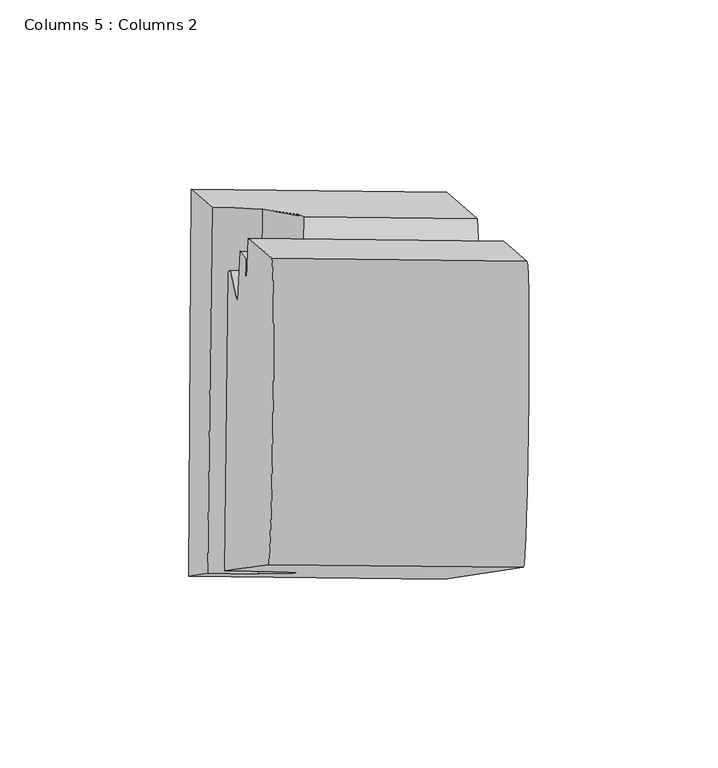
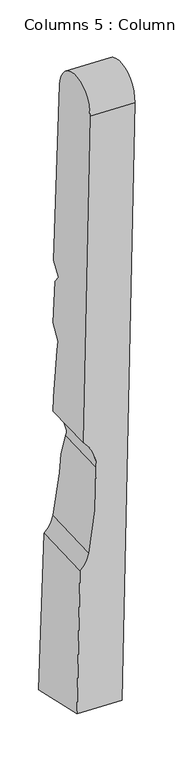
"""IFC4 building model written with IfcOpenShell, lengths in millimetres: column geometry, Columns 5 : Columns 2."""

from ifc_helpers import new_model, si_unit, frame, origin, place, context, project, spatial, polyline, circle_curve, ellipse_curve, source, transform, mapped, element, save
from ifc_brep_helpers import plane_surface, cylinder_surface, revolved_surface, advanced_brep


def columns_5_columns_2_ead6286b(model_context):
    return source(origin(), model_context, "Body", "AdvancedBrep", [
        advanced_brep(
        [(-40941.862061, 36149.6692967, 108740.642607), (-40942.5173495, 36047.2180159, 108764.2852102), (-40937.5172794, 36047.9177368, 108989.592683), (-40936.3606995, 36144.927422, 108991.4017695), (-40921.53081, 36050.1549188, 109709.9567957), (-40920.5828343, 36131.3277594, 109710.5772489), (-40926.7551807, 36136.6479866, 109429.2337273), (-40927.3222785, 36122.1267048, 109411.1816358), (-40927.4736943, 36131.1385283, 109399.6665281), (-40928.9481719, 36133.1411557, 109332.0778524), (-40929.5749769, 36120.1240774, 109310.5496075), (-40929.8851434, 36121.1253911, 109296.0305586), (-40931.546041, 36128.1345871, 109217.427432), (-40932.0422751, 36127.7763496, 109195.2167088), (-40932.9868158, 36048.5517399, 109193.7392875), (-40866.0865484, 36141.8631599, 109110.7909963), (-40865.3110491, 36126.3550029, 109153.8477168), (-40863.9240194, 36127.3563166, 109215.9291671), (-40862.2631218, 36120.3471206, 109294.5322938), (-40861.9529553, 36119.3458069, 109309.0513426), (-40861.3261503, 36132.3628852, 109330.5795875), (-40859.8516727, 36130.3602577, 109398.1682632), (-40859.7002569, 36121.3484343, 109409.683371), (-40859.1331591, 36135.8697161, 109427.7354624), (-40852.9608127, 36130.5494889, 109709.0789841), (-40853.9087884, 36049.3766483, 109708.4585308), (-40874.8953279, 36046.4397454, 108762.7869454), (-40874.2400394, 36148.8910262, 108739.1443421), (-40922.8619393, 36144.3187737, 109015.409679), (-40912.0309139, 36142.3919395, 109111.8089609), (-40913.2516077, 36048.167181, 109146.4411299), (-40924.0121418, 36047.843995, 109013.6105678), (-40912.407968, 36126.8970474, 109154.891218), (-40912.2832417, 36129.3901743, 109147.955818)],
        [
            (0, 1),
            (1, 2),
            (2, 3),
            (3, 0),
            (4, 5, circle_curve(frame((-40921.0666763, 36090.7448677, 109709.8204383), z_axis=(-0.9996884611824945, 0.011505542882479073, 0.02214956120458811), x_axis=(-0.011508273989755716, -0.9999337776135145, 4.164519798520709e-06)), 40.5928314)),
            (5, 6),
            (6, 7),
            (7, 8),
            (8, 9),
            (9, 10),
            (10, 11),
            (11, 12),
            (12, 13),
            (13, 14),
            (14, 4),
            (15, 16),
            (16, 17),
            (17, 18),
            (18, 19),
            (19, 20),
            (20, 21),
            (21, 22),
            (22, 23),
            (23, 24),
            (24, 25, circle_curve(frame((-40853.4446547, 36089.9665972, 109708.3221735), z_axis=(0.9996884611824945, -0.011505542882479073, -0.02214956120458811), x_axis=(-0.011508273989755716, -0.9999337776135145, 4.164519798520709e-06)), 40.5928314)),
            (25, 26),
            (26, 27),
            (27, 15),
            (27, 0),
            (3, 28, circle_curve(frame((-40970.2744128, 36144.6815008, 109026.2705596), z_axis=(-0.01191939419733876, -0.9997551356508885, -0.018643947587411936), x_axis=(0.021929628828242124, -0.01890214862532257, 0.9995808122192031)), 48.6418847)),
            (28, 29, circle_curve(frame((-41493.4738203, 36149.0138937, 109128.4424834), z_axis=(-0.01191939419733876, -0.9997551356508885, -0.018643947587411936), x_axis=(0.021929628828242124, -0.01890214862532257, 0.9995808122192031)), 581.7184696)),
            (29, 15),
            (26, 1),
            (25, 4),
            (14, 30, ellipse_curve(frame((-40973.3558135, 36048.8634343, 109149.1142394), z_axis=(0.011433884275114223, 0.9999289886819777, -0.0033591492703820085), x_axis=(0.022186637171020217, 0.0031048472454344917, 0.999749025033095)), 60.1822168, 60.1676406)),
            (30, 31, ellipse_curve(frame((-41494.597684, 36054.7483268, 109126.6845707), z_axis=(0.011433884275114223, 0.9999289886819777, -0.0033591492703820085), x_axis=(0.022186637171020217, 0.0031048472454344917, 0.999749025033095)), 581.8593966, 581.7184696)),
            (31, 2, ellipse_curve(frame((-40971.4220415, 36048.4226123, 109024.4754743), z_axis=(0.011433884275114223, 0.9999289886819777, -0.0033591492703820085), x_axis=(0.022186637171020217, 0.0031048472454344917, 0.999749025033095)), 48.6536687, 48.6418847)),
            (24, 5),
            (23, 6),
            (22, 7),
            (21, 8),
            (20, 9),
            (19, 10),
            (18, 11),
            (17, 12),
            (16, 32),
            (32, 13, ellipse_curve(frame((-40972.4183393, 36127.4953384, 109150.5806075), z_axis=(-0.011144061772129493, -0.999803817848288, 0.01637484971552908), x_axis=(0.022333617391595267, 0.016122912235928977, 0.9996205586297424)), 60.2045736, 60.1676406)),
            (29, 33, ellipse_curve(frame((-41493.4889721, 36147.7430164, 109128.4187835), z_axis=(-0.018327971909838064, -0.9407806823095473, -0.3385200041930385), x_axis=(-0.01694302287808752, 0.3388204986068032, -0.940698465875006)), 614.2230773, 581.7184696)),
            (33, 32, ellipse_curve(frame((-40972.3932159, 36129.6026013, 109150.6199049), z_axis=(-0.018327971909838064, -0.9407806823095473, -0.3385200041930385), x_axis=(-0.01694302287808752, 0.3388204986068032, -0.940698465875006)), 63.52962, 60.1676406)),
            (30, 33),
            (28, 31),
        ],
        [
            plane_surface(frame((-40920.9419508, 36131.6372983, 109694.2082552), z_axis=(-0.9996884611824944, 0.011505542882479073, 0.02214956120458811), x_axis=(-0.02192962882823491, 0.01890214862532809, -0.9995808122192031))),
            plane_surface(frame((-40853.3199292, 36130.8590278, 109692.7099903), z_axis=(0.9996884611824944, -0.011505542882479073, -0.02214956120458811), x_axis=(0.02192962882823491, -0.01890214862532809, 0.9995808122192031))),
            plane_surface(frame((-40933.70857, 36142.6414304, 109112.2892611), z_axis=(0.011919394197338886, 0.9997551356508884, 0.01864394758741754), x_axis=(0.9996884611824951, -0.011505542882451944, -0.02214956120457625))),
            plane_surface(frame((-40941.862061, 36149.6692967, 108740.642607), z_axis=(-0.02416899874651414, -0.2246470487002948, -0.9741404226341491), x_axis=(0.9996884611824951, -0.011505542882451944, -0.02214956120457625))),
            plane_surface(frame((-40942.5173495, 36047.2180159, 108764.2852102), z_axis=(-0.011433884275114225, -0.9999289886819779, 0.0033591492703820094), x_axis=(0.9996884611824951, -0.011505542882451944, -0.02214956120457625))),
            cylinder_surface(frame((-40853.4446547, 36089.9665972, 109708.3221735), z_axis=(-0.9996884611824945, 0.011505542882479073, 0.02214956120458811), x_axis=(-0.011508273989755716, -0.9999337776135145, 4.164519798520709e-06)), 40.5928314),
            plane_surface(frame((-40920.5828343, 36131.3277594, 109710.5772489), z_axis=(0.011919394197338673, 0.9997551356508886, 0.018643947587407807), x_axis=(0.9996884611824951, -0.011505542882451944, -0.02214956120457625))),
            plane_surface(frame((-40926.7551807, 36136.6479866, 109429.2337273), z_axis=(-0.004916605331177833, 0.7792558222446585, -0.6266866764897903), x_axis=(0.9996884611824951, -0.011505542882451944, -0.02214956120457625))),
            plane_surface(frame((-40927.3222785, 36122.1267048, 109411.1816358), z_axis=(0.022710412544246057, 0.7874468072443902, 0.6159640922348371), x_axis=(0.9996884611824951, -0.011505542882451944, -0.02214956120457625))),
            plane_surface(frame((-40927.4736943, 36131.1385283, 109399.6665281), z_axis=(0.012153602011024398, 0.9994953198843569, 0.029349539816240423), x_axis=(0.9996884611824951, -0.011505542882451944, -0.02214956120457625))),
            plane_surface(frame((-40928.9481719, 36133.1411557, 109332.0778524), z_axis=(-0.0016144492682213258, 0.8557516803888209, -0.5173842431551914), x_axis=(0.9996884611824951, -0.011505542882451944, -0.02214956120457625))),
            plane_surface(frame((-40929.5749769, 36120.1240774, 109310.5496075), z_axis=(0.012999262827608521, 0.9975650574190721, 0.06851989041455316), x_axis=(0.9996884611824951, -0.011505542882451944, -0.02214956120457625))),
            plane_surface(frame((-40929.8851434, 36121.1253911, 109296.0305586), z_axis=(0.01342441090411262, 0.9959830340789504, 0.08853011362675466), x_axis=(0.9996884611824951, -0.011505542882451944, -0.02214956120457625))),
            plane_surface(frame((-40931.546041, 36128.1345871, 109217.427432), z_axis=(0.011144061772129494, 0.9998038178482882, -0.016374849715529084), x_axis=(0.9996884611824951, -0.011505542882451944, -0.02214956120457625))),
            plane_surface(frame((-40932.9330707, 36127.1332734, 109155.3459817), z_axis=(0.018327971909838068, 0.9407806823095475, 0.33852000419303857), x_axis=(0.9996884611824951, -0.011505542882451944, -0.02214956120457625))),
            revolved_surface(polyline([(-41478.382027486114, 36333.862927766495, 109713.56931756993), (-41483.082176424294, 35939.63164709285, 109706.21749003525)]), (-41494.7845473, 36039.0749111, 109126.3922848), (0.011919394197338763, 0.9997551356508887, 0.01864394758741194)),
            revolved_surface(polyline([(-40969.20771440255, 36143.76206467303, 109074.89205416452), (-40970.368105869915, 36046.43267782212, 109073.0770057367)]), (-40971.5851399, 36034.7425183, 109024.2203609), (0.011919394197338763, 0.9997551356508887, 0.01864394758741194)),
            revolved_surface(polyline([(-40970.83069161584, 36148.853143456305, 109211.14252683302), (-40972.0521464819, 36046.40198234058, 109209.23196492641)]), (-40973.551588, 36032.4425883, 109148.808015), (0.011919394197338763, 0.9997551356508887, 0.01864394758741194)),
        ],
        [
            (0, [[1, 2, 3, 4]]),
            (0, [[5, 6, 7, 8, 9, 10, 11, 12, 13, 14, 15]]),
            (1, [[16, 17, 18, 19, 20, 21, 22, 23, 24, 25, 26, 27, 28]]),
            (2, [[-28, 29, -4, 30, 31, 32]]),
            (3, [[-1, -29, -27, 33]]),
            (4, [[-26, 34, -15, 35, 36, 37, -2, -33]]),
            (5, [[-5, -34, -25, 38]]),
            (6, [[-6, -38, -24, 39]]),
            (7, [[-7, -39, -23, 40]]),
            (8, [[-8, -40, -22, 41]]),
            (9, [[-9, -41, -21, 42]]),
            (10, [[-10, -42, -20, 43]]),
            (11, [[-11, -43, -19, 44]]),
            (12, [[-12, -44, -18, 45]]),
            (13, [[-17, 46, 47, -13, -45]]),
            (14, [[-16, -32, 48, 49, -46]]),
            (15, [[50, -48, -31, 51, -36]]),
            (16, [[-51, -30, -3, -37]]),
            (17, [[-50, -35, -14, -47, -49]]),
        ],
    ),
    ])


if __name__ == "__main__":
    model = new_model("IFC4")
    model_context = context("Model", 3, world=origin())
    ifc_project = project(units=[si_unit("LENGTHUNIT", "METRE", prefix="MILLI")], contexts=[model_context])
    site = spatial("IfcSite", under=ifc_project)
    building = spatial("IfcBuilding", under=site)
    placement = place(None, origin())
    columns_5_columns_2_shape = columns_5_columns_2_ead6286b(model_context)
    element("IfcColumn", 1, ObjectType="Columns 5 : Columns 2", at=placement, inside=building, context=model_context, shape_type="MappedRepresentation", body=[
        mapped(columns_5_columns_2_shape, transform((0.0, 0.0, 0.0), x_axis=(1.0, 0.0, 0.0), y_axis=(0.0, 1.0, 0.0), z_axis=(0.0, 0.0, 1.0))),
    ])
    save(model, "model.ifc")
